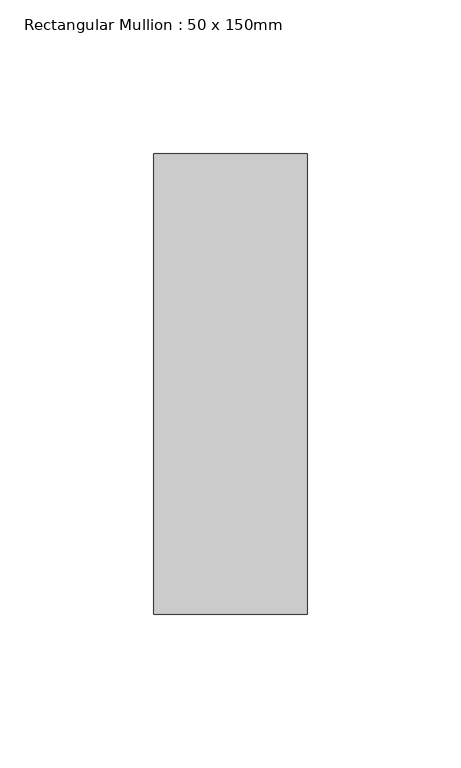
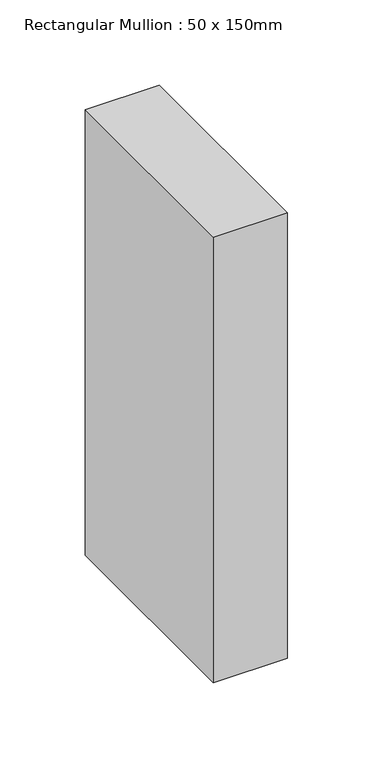
"""IFC4 building model written with IfcOpenShell, lengths in millimetres: member geometry, Rectangular Mullion : 50 x 150mm."""

from ifc_helpers import new_model, si_unit, frame, origin, place, context, project, spatial, polyline, outline, extrude, source, transform, mapped, element, save


def rectangular_mullion_50_x_150mm_3219cbf1(model_context):
    return source(origin(), model_context, "Body", "SweptSolid", [
        extrude(outline(polyline([(25.0, 75.0), (25.0, -75.0), (-25.0, -75.0), (-25.0, 75.0), (25.0, 75.0)])), frame((0.0, 0.0, -318.4916966), z_axis=(0.0, 0.0, 1.0), x_axis=(1.0, 0.0, 0.0)), (0.0, 0.0, 1.0), 318.4916966),
    ])


if __name__ == "__main__":
    model = new_model("IFC4")
    model_context = context("Model", 3, world=origin())
    ifc_project = project(units=[si_unit("LENGTHUNIT", "METRE", prefix="MILLI")], contexts=[model_context])
    site = spatial("IfcSite", under=ifc_project)
    building = spatial("IfcBuilding", under=site)
    placement = place(None, origin())
    rectangular_mullion_50_x_150mm_shape = rectangular_mullion_50_x_150mm_3219cbf1(model_context)
    element("IfcMember", 1, ObjectType="Rectangular Mullion : 50 x 150mm", at=placement, inside=building, context=model_context, shape_type="MappedRepresentation", body=[
        mapped(rectangular_mullion_50_x_150mm_shape, transform((0.0, 0.0, 0.0), x_axis=(1.0, 0.0, 0.0), y_axis=(0.0, 1.0, 0.0), z_axis=(0.0, 0.0, 1.0))),
    ])
    save(model, "model.ifc")
